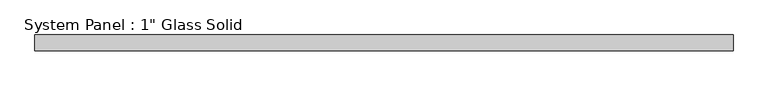
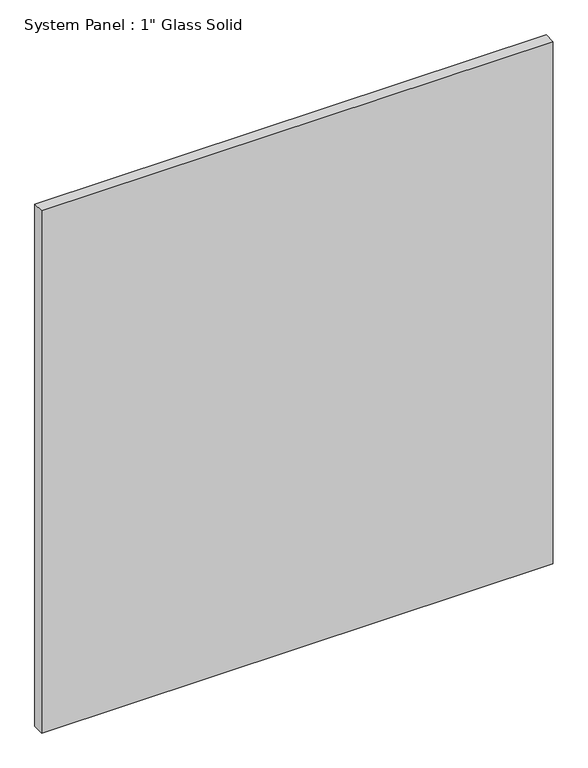
"""IFC4 building model written with IfcOpenShell, lengths in millimetres: plate geometry."""

from ifc_helpers import new_model, si_unit, origin, origin_with_axes, place, context, project, spatial, polyline, outline, extrude, source, transform, mapped, element, save


def plate_567f4e64(model_context):
    return source(origin(), model_context, "Body", "SweptSolid", [
        extrude(outline(polyline([(563.5625, -12.7), (-563.5625, -12.7), (-563.5625, 12.7), (563.5625, 12.7), (563.5625, -12.7)])), origin_with_axes(), (0.0, 0.0, 1.0), 1216.025),
    ])


if __name__ == "__main__":
    model = new_model("IFC4")
    model_context = context("Model", 3, world=origin())
    ifc_project = project(units=[si_unit("LENGTHUNIT", "METRE", prefix="MILLI")], contexts=[model_context])
    site = spatial("IfcSite", under=ifc_project)
    building = spatial("IfcBuilding", under=site)
    placement = place(None, origin())
    plate_shape = plate_567f4e64(model_context)
    element("IfcPlate", 1, ObjectType="System Panel : 1\" Glass Solid", at=placement, inside=building, context=model_context, shape_type="MappedRepresentation", body=[
        mapped(plate_shape, transform((0.0, 0.0, 0.0), x_axis=(1.0, 0.0, 0.0), y_axis=(0.0, 1.0, 0.0), z_axis=(0.0, 0.0, 1.0))),
    ])
    save(model, "model.ifc")
